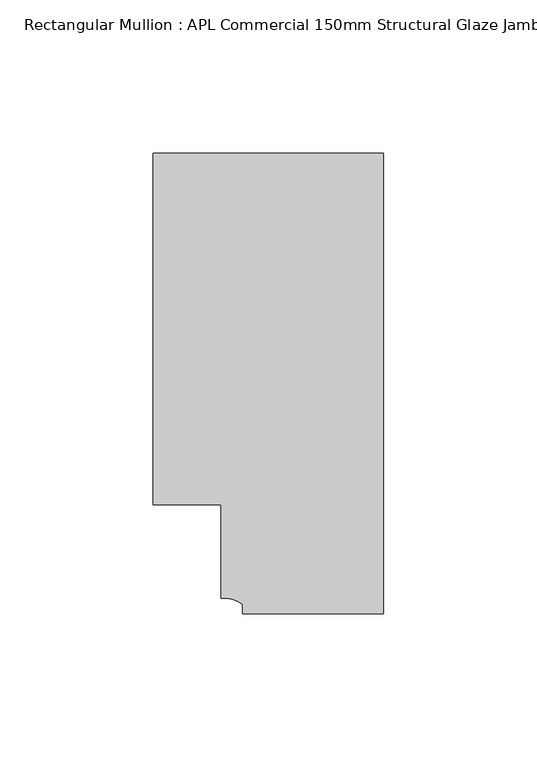
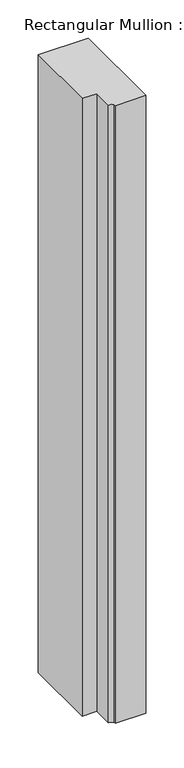
"""IFC4 building model written with IfcOpenShell, lengths in millimetres: member geometry, Rectangular Mullion : APL Commercial 150mm Structural Glaze Jamb Frame (left)."""

from ifc_helpers import new_model, si_unit, point, frame, frame_2d, origin, place, context, project, spatial, polyline, circle_curve, trimmed, segment, composite_curve, outline, extrude, source, transform, mapped, element, save


def rectangular_mullion_apl_commercial_150mm_structural_glaze_bf005d0e(model_context):
    return source(origin(), model_context, "Body", "SweptSolid", [
        extrude(outline(composite_curve([segment(polyline([(0.0, -20.5), (-45.9999842, -20.5), (-45.9999842, -17.3125325)]), True, "CONTINUOUS"), segment(trimmed(circle_curve(frame_2d((-52.1098019, -25.7981812)), 10.4563907), [point((-45.9999842, -17.3125325))], [point((-52.9999391, -15.3797475))], True, "CARTESIAN"), True, "CONTINUOUS"), segment(polyline([(-52.9999391, -15.3797475), (-52.9999391, 15.0000829), (-75.0, 15.0000829), (-75.0, 129.4999988), (0.0, 129.4999988), (0.0, -20.5)]), True, "CONTINUOUS")], self_intersect=False)), frame((0.0, 0.0, -983.6595328), z_axis=(0.0, 0.0, 1.0), x_axis=(1.0, 0.0, 0.0)), (0.0, 0.0, 1.0), 983.6595328),
    ])


if __name__ == "__main__":
    model = new_model("IFC4")
    model_context = context("Model", 3, world=origin())
    ifc_project = project(units=[si_unit("LENGTHUNIT", "METRE", prefix="MILLI")], contexts=[model_context])
    site = spatial("IfcSite", under=ifc_project)
    building = spatial("IfcBuilding", under=site)
    placement = place(None, origin())
    rectangular_mullion_apl_commercial_150mm_structural_glaze_shape = rectangular_mullion_apl_commercial_150mm_structural_glaze_bf005d0e(model_context)
    element("IfcMember", 1, ObjectType="Rectangular Mullion : APL Commercial 150mm Structural Glaze Jamb Frame (left)", at=placement, inside=building, context=model_context, shape_type="MappedRepresentation", body=[
        mapped(rectangular_mullion_apl_commercial_150mm_structural_glaze_shape, transform((0.0, 0.0, 0.0), x_axis=(1.0, 0.0, 0.0), y_axis=(0.0, 1.0, 0.0), z_axis=(0.0, 0.0, 1.0))),
    ])
    save(model, "model.ifc")
